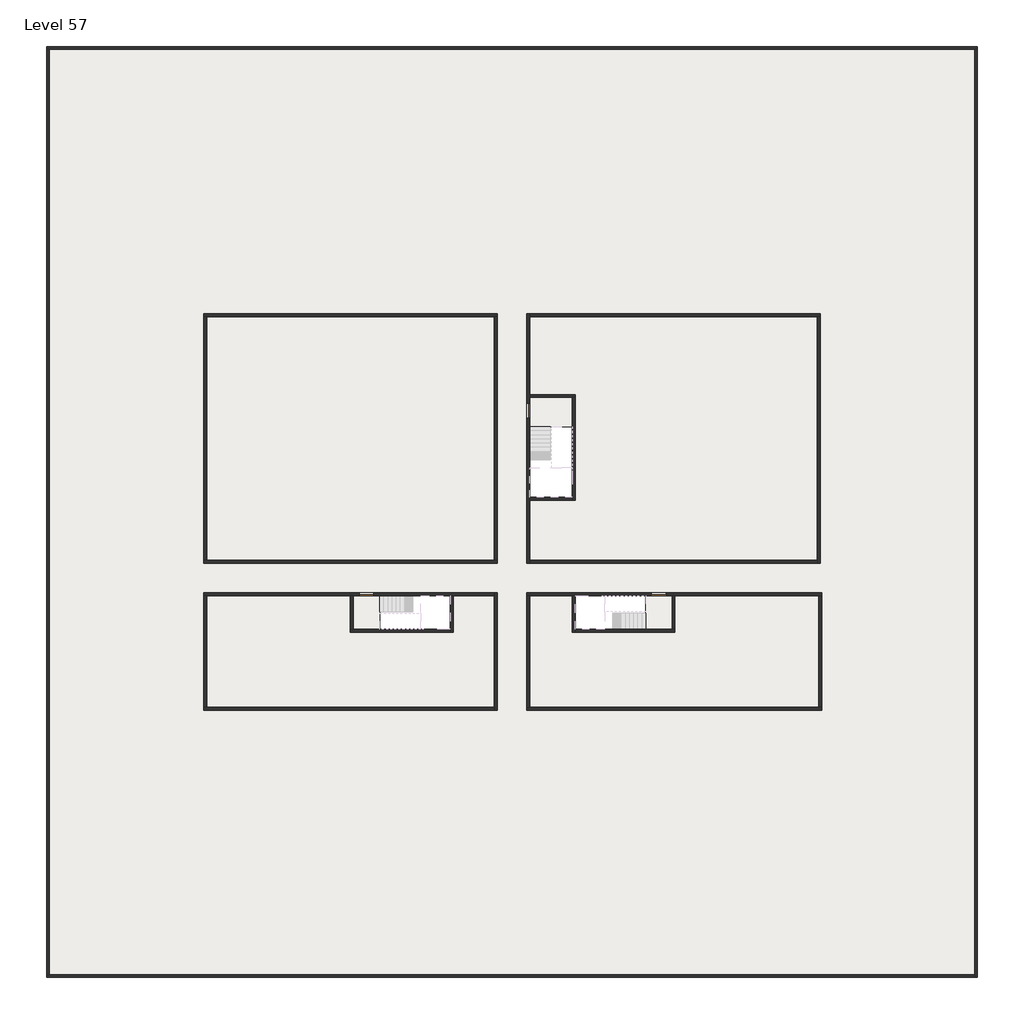
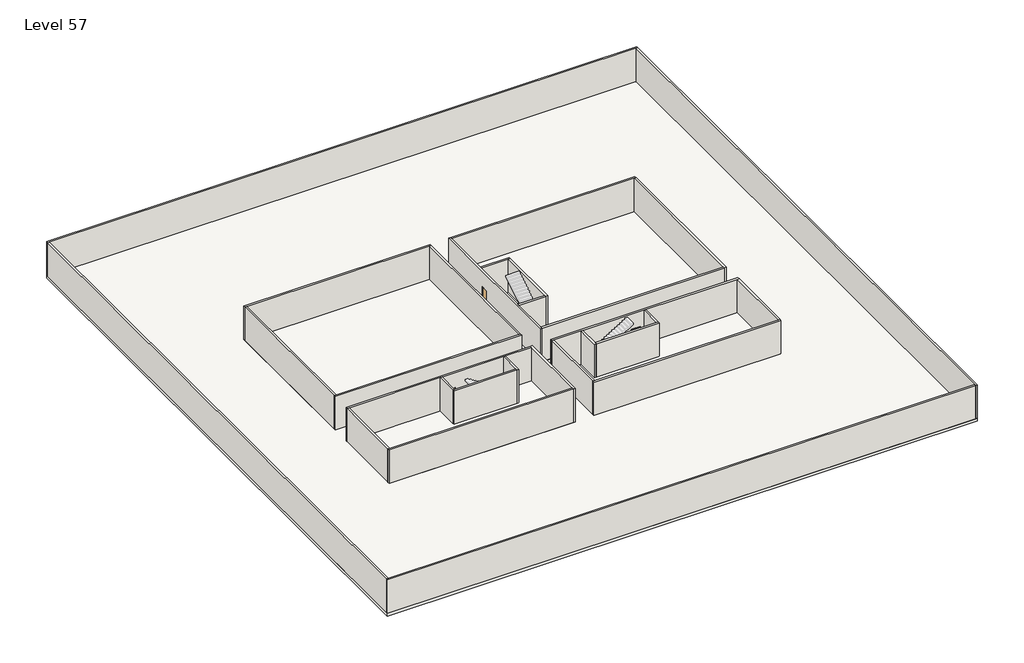
# One storey, part 1 of 2: 29 walls, 3 doors, 3 slabs.
"""IFC4 building model written with IfcOpenShell, lengths in millimetres."""

import ifcopenshell
import ifcopenshell.guid

model = None  # the IFC model being written
_history = None  # IfcOwnerHistory: only IFC2X3 demands one
_inside = {}  # id of a spatial element -> (the spatial element, [elements in it])
_under = {}  # id of a project, library or spatial element -> (it, [spatial elements below it])
_declared = {}  # id of a project -> (the project, [libraries it declares])
_typed = {}  # id of a type object -> (the type object, [elements of that type])
_made_of = {}  # id of a material, layer set ... -> (it, [elements and type objects made of it])


def new_model(schema):
    """Start an empty IFC model of exactly this schema.

    Asked for "IFC4X3", IfcOpenShell would pick the latest addendum, in which some entities
    have other attributes; the version numbers below select the first issue.
    IFC2X3 requires an IfcOwnerHistory on every rooted entity: one is made here for all.
    """
    global model, _history
    if schema == "IFC4X3":
        model = ifcopenshell.file(schema_version=(4, 3, 0, 0))
    else:
        model = ifcopenshell.file(schema=schema)
    _inside.clear()
    _under.clear()
    _declared.clear()
    _typed.clear()
    _made_of.clear()
    _history = None
    if model.schema == "IFC2X3":
        org = make("IfcOrganization", Name="unknown")
        user = make(
            "IfcPersonAndOrganization",
            ThePerson=make("IfcPerson", FamilyName="unknown"),
            TheOrganization=org,
        )
        app = make(
            "IfcApplication",
            ApplicationDeveloper=org,
            Version="unknown",
            ApplicationFullName="unknown",
            ApplicationIdentifier="unknown",
        )
        _history = make(
            "IfcOwnerHistory",
            OwningUser=user,
            OwningApplication=app,
            ChangeAction="ADDED",
            CreationDate=0,
        )
    return model


def make(cls, **values):
    """One entity of the class cls with the attributes given. An attribute that is None is left unset."""
    return model.create_entity(
        cls, **{name: value for name, value in values.items() if value is not None}
    )


def rooted(cls, **values):
    """An entity with a GlobalId (a new one), such as an element, a storey or a relation."""
    return make(cls, GlobalId=ifcopenshell.guid.new(), OwnerHistory=_history, **values)


def si_unit(unit_type, name, prefix=None):
    """IfcSIUnit, for example si_unit("LENGTHUNIT", "METRE", prefix="MILLI")."""
    return make("IfcSIUnit", UnitType=unit_type, Prefix=prefix, Name=name)


def assignment(units):
    """IfcUnitAssignment: the units of a project."""
    return None if units is None else make("IfcUnitAssignment", Units=units)


def point(xyz):
    """IfcCartesianPoint."""
    return None if xyz is None else make("IfcCartesianPoint", Coordinates=xyz)


def direction(xyz):
    """IfcDirection."""
    return None if xyz is None else make("IfcDirection", DirectionRatios=xyz)


def frame(location, z_axis=None, x_axis=None):
    """IfcAxis2Placement3D, a coordinate frame: its origin and axes. An axis left out is left unset."""
    return make(
        "IfcAxis2Placement3D",
        Location=point(location),
        Axis=direction(z_axis),
        RefDirection=direction(x_axis),
    )


def origin():
    """The frame at (0, 0, 0) with its axes left unset."""
    return frame((0.0, 0.0, 0.0))


def origin_with_axes():
    """The frame at (0, 0, 0) with the z axis (0, 0, 1) and the x axis (1, 0, 0) written out."""
    return frame((0.0, 0.0, 0.0), z_axis=(0.0, 0.0, 1.0), x_axis=(1.0, 0.0, 0.0))


def place(relative_to, where):
    """IfcLocalPlacement: puts the frame where relative to a parent placement (None: the world)."""
    return make(
        "IfcLocalPlacement", PlacementRelTo=relative_to, RelativePlacement=where
    )


def context(
    kind, dimensions, precision=None, world=None, true_north=None, identifier=None
):
    """IfcGeometricRepresentationContext, for example the 3D "Model" context."""
    return make(
        "IfcGeometricRepresentationContext",
        ContextIdentifier=identifier,
        ContextType=kind,
        CoordinateSpaceDimension=dimensions,
        Precision=precision,
        WorldCoordinateSystem=world,
        TrueNorth=true_north,
    )


def project(units=None, contexts=None):
    """IfcProject with its units and contexts."""
    return rooted(
        "IfcProject",
        Name="project",
        RepresentationContexts=contexts,
        UnitsInContext=assignment(units),
    )


def spatial(cls, under=None, at=None, **own):
    """A site, building, storey or space (cls), placed at a placement, below another one or the project."""
    s = rooted(cls, ObjectPlacement=at, **own)
    if under is not None:
        _under.setdefault(under.id(), (under, []))[1].append(s)
    return s


def polyline(points):
    """IfcPolyline through the points."""
    return make("IfcPolyline", Points=[point(p) for p in points])


def outline(outer, holes=None, kind="AREA"):
    """IfcArbitraryClosedProfileDef: a profile drawn as a closed curve; with holes, ...WithVoids."""
    if holes is None:
        return make("IfcArbitraryClosedProfileDef", ProfileType=kind, OuterCurve=outer)
    return make(
        "IfcArbitraryProfileDefWithVoids",
        ProfileType=kind,
        OuterCurve=outer,
        InnerCurves=holes,
    )


def extrude(swept, where, along, depth):
    """IfcExtrudedAreaSolid: the profile swept, set in the frame where, extruded along a direction by depth."""
    return make(
        "IfcExtrudedAreaSolid",
        SweptArea=swept,
        Position=where,
        ExtrudedDirection=direction(along),
        Depth=depth,
    )


def faces_of(points, faces, orient=None, outer=None):
    """IfcFace entities. A face is a list of loops; a loop is a list of indices into points, from 0.

    orient and outer hold one flag for each loop. By default every Orientation is true, the
    first loop of a face is its IfcFaceOuterBound and the others are IfcFaceBound.
    """
    made = []
    for i, loops in enumerate(faces):
        bounds = []
        for j, loop in enumerate(loops):
            is_outer = j == 0 if outer is None else outer[i][j]
            bounds.append(
                make(
                    "IfcFaceOuterBound" if is_outer else "IfcFaceBound",
                    Bound=make("IfcPolyLoop", Polygon=[points[k] for k in loop]),
                    Orientation=True if orient is None else orient[i][j],
                )
            )
        made.append(make("IfcFace", Bounds=bounds))
    return made


def faceted_brep(points, faces, orient=None, outer=None, voids=None):
    """IfcFacetedBrep: a solid bounded by flat faces; with voids (closed shells), ...WithVoids."""
    shared = [point(p) for p in points]
    hull = make("IfcClosedShell", CfsFaces=faces_of(shared, faces, orient, outer))
    if voids is None:
        return make("IfcFacetedBrep", Outer=hull)
    return make(
        "IfcFacetedBrepWithVoids",
        Outer=hull,
        Voids=[
            make(cls, CfsFaces=faces_of(shared, fs, o, b)) for cls, fs, o, b in voids
        ],
    )


def shape(context_of_items, identifier, shape_type, items):
    """IfcShapeRepresentation: the items that make up one representation, for example the "Body"."""
    return make(
        "IfcShapeRepresentation",
        ContextOfItems=context_of_items,
        RepresentationIdentifier=identifier,
        RepresentationType=shape_type,
        Items=items,
    )


def source(mapping_origin, context_of_items, identifier, shape_type, items):
    """IfcRepresentationMap: a shape defined once, which mapped items show again and again."""
    return make(
        "IfcRepresentationMap",
        MappingOrigin=mapping_origin,
        MappedRepresentation=shape(context_of_items, identifier, shape_type, items),
    )


def transform(
    local_origin,
    x_axis=None,
    y_axis=None,
    z_axis=None,
    scale=None,
    scale2=None,
    scale3=None,
    uniform=True,
):
    """IfcCartesianTransformationOperator3D, or its non-uniform kind. x_axis, y_axis, z_axis: its Axis1, 2, 3."""
    if uniform:
        return make(
            "IfcCartesianTransformationOperator3D",
            Axis1=direction(x_axis),
            Axis2=direction(y_axis),
            LocalOrigin=point(local_origin),
            Scale=scale,
            Axis3=direction(z_axis),
        )
    return make(
        "IfcCartesianTransformationOperator3DnonUniform",
        Axis1=direction(x_axis),
        Axis2=direction(y_axis),
        LocalOrigin=point(local_origin),
        Scale=scale,
        Axis3=direction(z_axis),
        Scale2=scale2,
        Scale3=scale3,
    )


def mapped(mapping_source, mapping_target):
    """IfcMappedItem: shows the shape of a source again, moved by a transform."""
    return make(
        "IfcMappedItem", MappingSource=mapping_source, MappingTarget=mapping_target
    )


def made_of(thing, what):
    """Note that an element or type object is made of a material, layer set ...; save() writes the relation."""
    if what is not None:
        _made_of.setdefault(what.id(), (what, []))[1].append(thing)
    return thing


def element(
    cls,
    number,
    at=None,
    inside=None,
    cuts=None,
    type_object=None,
    material=None,
    context=None,
    identifier="Body",
    shape_type=None,
    held_by="IfcProductDefinitionShape",
    body=None,
    shapes=None,
    **own,
):
    """One element of the class cls, such as IfcWall. Its Tag is "e" and its number.

    at: its placement. inside: the storey or other place that contains it. cuts: it is an
    opening in that element (IfcRelVoidsElement). A single representation is given by context,
    identifier, shape_type and body (its items); several are given by shapes. held_by: the class
    of the entity that holds the representations. save() writes the other relations.
    """
    e = rooted(cls, Tag="e%d" % number, ObjectPlacement=at, **own)
    if body is not None:
        shapes = [shape(context, identifier, shape_type, body)]
    if shapes is not None:
        e.Representation = make(held_by, Representations=shapes)
    if inside is not None:
        _inside.setdefault(inside.id(), (inside, []))[1].append(e)
    if cuts is not None:
        rooted(
            "IfcRelVoidsElement", RelatingBuildingElement=cuts, RelatedOpeningElement=e
        )
    if type_object is not None:
        _typed.setdefault(type_object.id(), (type_object, []))[1].append(e)
    return made_of(e, material)


def aggregate(whole, parts):
    """IfcRelAggregates: a whole, such as a stair, and the parts it consists of."""
    return rooted("IfcRelAggregates", RelatingObject=whole, RelatedObjects=parts)


def save(model, path):
    """Write the relations noted so far, then the file.

    IfcRelAggregates (storeys below a building ...), IfcRelContainedInSpatialStructure (elements
    in a storey), IfcRelDefinesByType, IfcRelAssociatesMaterial and IfcRelDeclares: one each for
    every whole, place, type object, material and project.
    """
    for whole, parts in _under.values():
        aggregate(whole, parts)
    for where, things in _inside.values():
        rooted(
            "IfcRelContainedInSpatialStructure",
            RelatedElements=things,
            RelatingStructure=where,
        )
    for kind, things in _typed.values():
        rooted("IfcRelDefinesByType", RelatedObjects=things, RelatingType=kind)
    for what, things in _made_of.values():
        rooted("IfcRelAssociatesMaterial", RelatedObjects=things, RelatingMaterial=what)
    for by, libraries in _declared.values():
        rooted("IfcRelDeclares", RelatingContext=by, RelatedDefinitions=libraries)
    model.write(path)


def door_fb3c37fd(model_context):
    return source(origin(), model_context, "Body", "SweptSolid", [
        extrude(outline(polyline([(500.0, 49.0), (-500.0, 49.0), (-500.0, 100.0), (500.0, 100.0), (500.0, 49.0)])), origin_with_axes(), (0.0, 0.0, 1.0), 2100.0),
    ])


def door_0317a72c(model_context):
    return source(origin(), model_context, "Body", "SweptSolid", [
        extrude(outline(polyline([(500.0, -49.0), (500.0, -100.0), (-500.0, -100.0), (-500.0, -49.0), (500.0, -49.0)])), origin_with_axes(), (0.0, 0.0, 1.0), 2100.0),
    ])


model = new_model("IFC4")

# Units and contexts
model_context = context("Model", 3, world=origin())
ifc_project = project(units=[si_unit("LENGTHUNIT", "METRE", prefix="MILLI")], contexts=[model_context])

# Site, building, storey
site = spatial("IfcSite", under=ifc_project)
building = spatial("IfcBuilding", under=site)
storey = spatial("IfcBuildingStorey", under=building, Name="Level 57", Elevation=212800.0)

# Doors
placement = place(None, origin())
door_shape = door_fb3c37fd(model_context)
element("IfcDoor", 1, at=placement, inside=storey, context=model_context, shape_type="MappedRepresentation", body=[
    mapped(door_shape, transform((14290.1058784, -42818.09644, 212800.0), x_axis=(-1.0, 0.0, 0.0), y_axis=(0.0, -1.0, 0.0), z_axis=(0.0, 0.0, 1.0))),
])
door_2_shape = door_0317a72c(model_context)
element("IfcDoor", 2, at=placement, inside=storey, context=model_context, shape_type="MappedRepresentation", body=[
    mapped(door_2_shape, transform((25290.1058784, -30318.09644, 212800.0), x_axis=(0.0, 1.0, 0.0), y_axis=(-1.0, 0.0, 0.0), z_axis=(0.0, 0.0, 1.0))),
])
element("IfcDoor", 3, at=placement, inside=storey, context=model_context, shape_type="MappedRepresentation", body=[
    mapped(door_2_shape, transform((34190.1058784, -42818.09644, 212800.0), x_axis=(1.0, 0.0, 0.0), y_axis=(0.0, 1.0, 0.0), z_axis=(0.0, 0.0, 1.0))),
])

# Slabs
element("IfcSlab", 4, at=placement, inside=storey, context=model_context, shape_type="SweptSolid", body=[
    extrude(outline(polyline([(55890.1058784, -5518.09644), (55890.1058784, -68918.09644), (-7509.8941216, -68918.09644), (-7509.8941216, -5518.09644), (55890.1058784, -5518.09644)]), holes=[polyline([(23190.1058784, -23718.09644), (3190.1058784, -23718.09644), (3190.1058784, -40718.09644), (23190.1058784, -40718.09644), (23190.1058784, -23718.09644)]), polyline([(45190.1058784, -23718.09644), (25190.1058784, -23718.09644), (25190.1058784, -40718.09644), (45190.1058784, -40718.09644), (45190.1058784, -23718.09644)]), polyline([(23190.1058784, -50718.09644), (23190.1058784, -42718.09644), (3390.1058784, -42718.09644), (3390.1058784, -50718.09644), (23190.1058784, -50718.09644)]), polyline([(25190.1058784, -50718.09644), (45190.1058784, -50718.09644), (45190.1058784, -42718.09644), (25190.1058784, -42718.09644), (25190.1058784, -50718.09644)])]), frame((0.0, 0.0, 212500.0), z_axis=(0.0, 0.0, 1.0), x_axis=(1.0, 0.0, 0.0)), (0.0, 0.0, 1.0), 300.0),
])
element("IfcSlab", 5, at=placement, inside=storey, context=model_context, shape_type="SweptSolid", body=[
    extrude(outline(polyline([(22990.1058784, -23918.09644), (22990.1058784, -40518.09644), (3390.1058784, -40518.09644), (3390.1058784, -23918.09644), (22990.1058784, -23918.09644)])), frame((0.0, 0.0, 212500.0), z_axis=(0.0, 0.0, 1.0), x_axis=(1.0, 0.0, 0.0)), (0.0, 0.0, 1.0), 300.0),
    extrude(outline(polyline([(44990.1058784, -23918.09644), (44990.1058784, -40518.09644), (25390.1058784, -40518.09644), (25390.1058784, -36418.09644), (28490.1058784, -36418.09644), (28490.1058784, -29218.09644), (25390.1058784, -29218.09644), (25390.1058784, -23918.09644), (44990.1058784, -23918.09644)])), frame((0.0, 0.0, 212500.0), z_axis=(0.0, 0.0, 1.0), x_axis=(1.0, 0.0, 0.0)), (0.0, 0.0, 1.0), 300.0),
    extrude(outline(polyline([(22990.1058784, -42918.09644), (22990.1058784, -50518.09644), (3390.1058784, -50518.09644), (3390.1058784, -42918.09644), (13190.1058784, -42918.09644), (13190.1058784, -45418.09644), (20190.1058784, -45418.09644), (20190.1058784, -42918.09644), (22990.1058784, -42918.09644)])), frame((0.0, 0.0, 212500.0), z_axis=(0.0, 0.0, 1.0), x_axis=(1.0, 0.0, 0.0)), (0.0, 0.0, 1.0), 300.0),
    extrude(outline(polyline([(28290.1058784, -42918.09644), (28290.1058784, -45418.09644), (35290.1058784, -45418.09644), (35290.1058784, -42918.09644), (45090.1058784, -42918.09644), (45090.1058784, -50518.09644), (25390.1058784, -50518.09644), (25390.1058784, -42918.09644), (28290.1058784, -42918.09644)])), frame((0.0, 0.0, 212500.0), z_axis=(0.0, 0.0, 1.0), x_axis=(1.0, 0.0, 0.0)), (0.0, 0.0, 1.0), 300.0),
])
element("IfcSlab", 6, at=placement, inside=storey, context=model_context, shape_type="SweptSolid", body=[
    extrude(outline(polyline([(25190.1058784, -29418.09644), (28290.1058784, -29418.09644), (28290.1058784, -31418.09644), (25190.1058784, -31418.09644), (25190.1058784, -29418.09644)])), frame((0.0, 0.0, 212500.0), z_axis=(0.0, 0.0, 1.0), x_axis=(1.0, 0.0, 0.0)), (0.0, 0.0, 1.0), 300.0),
    extrude(outline(polyline([(15190.1058784, -45218.09644), (13390.1058784, -45218.09644), (13390.1058784, -42718.09644), (15190.1058784, -42718.09644), (15190.1058784, -45218.09644)])), frame((0.0, 0.0, 212500.0), z_axis=(0.0, 0.0, 1.0), x_axis=(1.0, 0.0, 0.0)), (0.0, 0.0, 1.0), 300.0),
    extrude(outline(polyline([(35090.1058784, -45218.09644), (33290.1058784, -45218.09644), (33290.1058784, -42718.09644), (35090.1058784, -42718.09644), (35090.1058784, -45218.09644)])), frame((0.0, 0.0, 212500.0), z_axis=(0.0, 0.0, 1.0), x_axis=(1.0, 0.0, 0.0)), (0.0, 0.0, 1.0), 300.0),
])

# Walls
element("IfcWall", 7, at=placement, inside=storey, context=model_context, shape_type="Brep", body=[
    faceted_brep([(-7509.8941216, -5718.09644, 212800.0), (-7309.8941216, -5718.09644, 212800.0), (55690.1058784, -5718.09644, 212800.0), (55890.1058784, -5718.09644, 212800.0), (55890.1058784, -5718.09644, 216600.0), (55690.1058784, -5718.09644, 216600.0), (-7309.8941216, -5718.09644, 216600.0), (-7509.8941216, -5718.09644, 216600.0), (-7509.8941216, -5518.09644, 212800.0), (-7509.8941216, -5518.09644, 216600.0), (55890.1058784, -5518.09644, 216600.0), (55890.1058784, -5518.09644, 212800.0)], [[[0, 1, 2, 3, 4, 5, 6, 7]], [[8, 9, 10, 11]], [[3, 2, 1, 0, 8, 11]], [[7, 6, 5, 4, 10, 9]], [[4, 3, 11, 10]], [[0, 7, 9, 8]]]),
])
element("IfcWall", 8, at=placement, inside=storey, context=model_context, shape_type="Brep", body=[
    faceted_brep([(55690.1058784, -5718.09644, 212800.0), (55690.1058784, -68718.09644, 212800.0), (55690.1058784, -68918.09644, 212800.0), (55690.1058784, -68918.09644, 216600.0), (55690.1058784, -68718.09644, 216600.0), (55690.1058784, -5718.09644, 216600.0), (55890.1058784, -5718.09644, 212800.0), (55890.1058784, -5718.09644, 216600.0), (55890.1058784, -68918.09644, 216600.0), (55890.1058784, -68918.09644, 212800.0)], [[[0, 1, 2, 3, 4, 5]], [[6, 7, 8, 9]], [[2, 1, 0, 6, 9]], [[5, 4, 3, 8, 7]], [[0, 5, 7, 6]], [[3, 2, 9, 8]]]),
])
element("IfcWall", 9, at=placement, inside=storey, context=model_context, shape_type="Brep", body=[
    faceted_brep([(55690.1058784, -68718.09644, 212800.0), (-7309.8941216, -68718.09644, 212800.0), (-7509.8941216, -68718.09644, 212800.0), (-7509.8941216, -68718.09644, 216600.0), (-7309.8941216, -68718.09644, 216600.0), (55690.1058784, -68718.09644, 216600.0), (55690.1058784, -68918.09644, 212800.0), (55690.1058784, -68918.09644, 216600.0), (-7509.8941216, -68918.09644, 216600.0), (-7509.8941216, -68918.09644, 212800.0)], [[[0, 1, 2, 3, 4, 5]], [[6, 7, 8, 9]], [[2, 1, 0, 6, 9]], [[5, 4, 3, 8, 7]], [[0, 5, 7, 6]], [[3, 2, 9, 8]]]),
])
element("IfcWall", 10, at=placement, inside=storey, context=model_context, shape_type="SweptSolid", body=[
    extrude(outline(polyline([(-7309.8941216, -5718.09644), (-7309.8941216, -68718.09644), (-7509.8941216, -68718.09644), (-7509.8941216, -5718.09644), (-7309.8941216, -5718.09644)])), frame((0.0, 0.0, 212800.0), z_axis=(0.0, 0.0, 1.0), x_axis=(1.0, 0.0, 0.0)), (0.0, 0.0, 1.0), 3800.0),
])
element("IfcWall", 11, at=placement, inside=storey, context=model_context, shape_type="Brep", body=[
    faceted_brep([(3190.1058784, -23918.09644, 212800.0), (3390.1058784, -23918.09644, 212800.0), (22990.1058784, -23918.09644, 212800.0), (23190.1058784, -23918.09644, 212800.0), (23190.1058784, -23918.09644, 216600.0), (22990.1058784, -23918.09644, 216600.0), (3390.1058784, -23918.09644, 216600.0), (3190.1058784, -23918.09644, 216600.0), (3190.1058784, -23718.09644, 212800.0), (3190.1058784, -23718.09644, 216600.0), (23190.1058784, -23718.09644, 216600.0), (23190.1058784, -23718.09644, 212800.0)], [[[0, 1, 2, 3, 4, 5, 6, 7]], [[8, 9, 10, 11]], [[3, 2, 1, 0, 8, 11]], [[7, 6, 5, 4, 10, 9]], [[0, 7, 9, 8]], [[4, 3, 11, 10]]]),
])
element("IfcWall", 12, at=placement, inside=storey, context=model_context, shape_type="Brep", body=[
    faceted_brep([(44990.1058784, -23918.09644, 212800.0), (44990.1058784, -40518.09644, 212800.0), (44990.1058784, -40718.09644, 212800.0), (44990.1058784, -40718.09644, 216600.0), (44990.1058784, -40518.09644, 216600.0), (44990.1058784, -23918.09644, 216600.0), (45190.1058784, -23918.09644, 212800.0), (45190.1058784, -23918.09644, 216600.0), (45190.1058784, -40718.09644, 216600.0), (45190.1058784, -40718.09644, 212800.0)], [[[0, 1, 2, 3, 4, 5]], [[6, 7, 8, 9]], [[2, 1, 0, 6, 9]], [[5, 4, 3, 8, 7]], [[3, 2, 9, 8]], [[0, 5, 7, 6]]]),
])
element("IfcWall", 13, at=placement, inside=storey, context=model_context, shape_type="Brep", body=[
    faceted_brep([(45290.1058784, -50518.09644, 212800.0), (45090.1058784, -50518.09644, 212800.0), (25390.1058784, -50518.09644, 212800.0), (25190.1058784, -50518.09644, 212800.0), (25190.1058784, -50518.09644, 216600.0), (25390.1058784, -50518.09644, 216600.0), (45090.1058784, -50518.09644, 216600.0), (45290.1058784, -50518.09644, 216600.0), (45290.1058784, -50718.09644, 212800.0), (45290.1058784, -50718.09644, 216600.0), (25190.1058784, -50718.09644, 216600.0), (25190.1058784, -50718.09644, 212800.0)], [[[0, 1, 2, 3, 4, 5, 6, 7]], [[8, 9, 10, 11]], [[3, 2, 1, 0, 8, 11]], [[7, 6, 5, 4, 10, 9]], [[4, 3, 11, 10]], [[0, 7, 9, 8]]]),
])
element("IfcWall", 14, at=placement, inside=storey, context=model_context, shape_type="SweptSolid", body=[
    extrude(outline(polyline([(22990.1058784, -40518.09644), (22990.1058784, -23918.09644), (23190.1058784, -23918.09644), (23190.1058784, -40518.09644), (22990.1058784, -40518.09644)])), frame((0.0, 0.0, 212800.0), z_axis=(0.0, 0.0, 1.0), x_axis=(1.0, 0.0, 0.0)), (0.0, 0.0, 1.0), 3800.0),
])
element("IfcWall", 15, at=placement, inside=storey, context=model_context, shape_type="Brep", body=[
    faceted_brep([(23190.1058784, -40518.09644, 212800.0), (22990.1058784, -40518.09644, 212800.0), (3390.1058784, -40518.09644, 212800.0), (3190.1058784, -40518.09644, 212800.0), (3190.1058784, -40518.09644, 216600.0), (3390.1058784, -40518.09644, 216600.0), (22990.1058784, -40518.09644, 216600.0), (23190.1058784, -40518.09644, 216600.0), (23190.1058784, -40718.09644, 212800.0), (23190.1058784, -40718.09644, 216600.0), (3190.1058784, -40718.09644, 216600.0), (3190.1058784, -40718.09644, 212800.0)], [[[0, 1, 2, 3, 4, 5, 6, 7]], [[8, 9, 10, 11]], [[3, 2, 1, 0, 8, 11]], [[7, 6, 5, 4, 10, 9]], [[4, 3, 11, 10]], [[0, 7, 9, 8]]]),
])
element("IfcWall", 16, at=placement, inside=storey, context=model_context, shape_type="Brep", body=[
    faceted_brep([(3190.1058784, -42918.09644, 212800.0), (3390.1058784, -42918.09644, 212800.0), (13190.1058784, -42918.09644, 212800.0), (13390.1058784, -42918.09644, 212800.0), (13790.1058784, -42918.09644, 212800.0), (13790.1058784, -42918.09644, 214900.0), (14790.1058784, -42918.09644, 214900.0), (14790.1058784, -42918.09644, 212800.0), (19990.1058784, -42918.09644, 212800.0), (20190.1058784, -42918.09644, 212800.0), (22990.1058784, -42918.09644, 212800.0), (22990.1058784, -42918.09644, 216600.0), (20190.1058784, -42918.09644, 216600.0), (19990.1058784, -42918.09644, 216600.0), (13390.1058784, -42918.09644, 216600.0), (13190.1058784, -42918.09644, 216600.0), (3390.1058784, -42918.09644, 216600.0), (3190.1058784, -42918.09644, 216600.0), (13790.1058784, -42718.09644, 214900.0), (13790.1058784, -42718.09644, 212800.0), (3190.1058784, -42718.09644, 212800.0), (3190.1058784, -42718.09644, 216600.0), (22990.1058784, -42718.09644, 216600.0), (22990.1058784, -42718.09644, 212800.0), (14790.1058784, -42718.09644, 212800.0), (14790.1058784, -42718.09644, 214900.0)], [[[0, 1, 2, 3, 4, 5, 6, 7, 8, 9, 10, 11, 12, 13, 14, 15, 16, 17]], [[18, 19, 20, 21, 22, 23, 24, 25]], [[24, 23, 10, 9, 8, 7]], [[20, 19, 4, 3, 2, 1, 0]], [[17, 16, 15, 14, 13, 12, 11, 22, 21]], [[5, 4, 19, 18]], [[6, 5, 18, 25]], [[7, 6, 25, 24]], [[0, 17, 21, 20]], [[11, 10, 23, 22]]]),
])
element("IfcWall", 17, at=placement, inside=storey, context=model_context, shape_type="SweptSolid", body=[
    extrude(outline(polyline([(25390.1058784, -40518.09644), (44990.1058784, -40518.09644), (44990.1058784, -40718.09644), (25390.1058784, -40718.09644), (25390.1058784, -40518.09644)])), frame((0.0, 0.0, 212800.0), z_axis=(0.0, 0.0, 1.0), x_axis=(1.0, 0.0, 0.0)), (0.0, 0.0, 1.0), 3800.0),
])
element("IfcWall", 18, at=placement, inside=storey, context=model_context, shape_type="Brep", body=[
    faceted_brep([(25390.1058784, -29818.09644, 214900.0), (25390.1058784, -29818.09644, 212800.0), (25390.1058784, -29418.09644, 212800.0), (25390.1058784, -29218.09644, 212800.0), (25390.1058784, -23918.09644, 212800.0), (25390.1058784, -23718.09644, 212800.0), (25390.1058784, -23718.09644, 216600.0), (25390.1058784, -23918.09644, 216600.0), (25390.1058784, -29218.09644, 216600.0), (25390.1058784, -29418.09644, 216600.0), (25390.1058784, -36218.09644, 216600.0), (25390.1058784, -36418.09644, 216600.0), (25390.1058784, -40518.09644, 216600.0), (25390.1058784, -40718.09644, 216600.0), (25390.1058784, -40718.09644, 212800.0), (25390.1058784, -40518.09644, 212800.0), (25390.1058784, -36418.09644, 212800.0), (25390.1058784, -36218.09644, 212800.0), (25390.1058784, -30818.09644, 212800.0), (25390.1058784, -30818.09644, 214900.0), (25190.1058784, -23718.09644, 212800.0), (25190.1058784, -29818.09644, 212800.0), (25190.1058784, -29818.09644, 214900.0), (25190.1058784, -30818.09644, 214900.0), (25190.1058784, -30818.09644, 212800.0), (25190.1058784, -40718.09644, 212800.0), (25190.1058784, -40718.09644, 216600.0), (25190.1058784, -23718.09644, 216600.0)], [[[0, 1, 2, 3, 4, 5, 6, 7, 8, 9, 10, 11, 12, 13, 14, 15, 16, 17, 18, 19]], [[20, 21, 22, 23, 24, 25, 26, 27]], [[5, 4, 3, 2, 1, 21, 20]], [[18, 17, 16, 15, 14, 25, 24]], [[13, 12, 11, 10, 9, 8, 7, 6, 27, 26]], [[22, 21, 1, 0]], [[23, 22, 0, 19]], [[24, 23, 19, 18]], [[14, 13, 26, 25]], [[6, 5, 20, 27]]]),
])
element("IfcWall", 19, at=placement, inside=storey, context=model_context, shape_type="SweptSolid", body=[
    extrude(outline(polyline([(3390.1058784, -23918.09644), (3390.1058784, -40518.09644), (3190.1058784, -40518.09644), (3190.1058784, -23918.09644), (3390.1058784, -23918.09644)])), frame((0.0, 0.0, 212800.0), z_axis=(0.0, 0.0, 1.0), x_axis=(1.0, 0.0, 0.0)), (0.0, 0.0, 1.0), 3800.0),
])
element("IfcWall", 20, at=placement, inside=storey, context=model_context, shape_type="Brep", body=[
    faceted_brep([(25390.1058784, -23918.09644, 212800.0), (44990.1058784, -23918.09644, 212800.0), (45190.1058784, -23918.09644, 212800.0), (45190.1058784, -23918.09644, 216600.0), (44990.1058784, -23918.09644, 216600.0), (25390.1058784, -23918.09644, 216600.0), (25390.1058784, -23718.09644, 212800.0), (25390.1058784, -23718.09644, 216600.0), (45190.1058784, -23718.09644, 216600.0), (45190.1058784, -23718.09644, 212800.0)], [[[0, 1, 2, 3, 4, 5]], [[6, 7, 8, 9]], [[2, 1, 0, 6, 9]], [[5, 4, 3, 8, 7]], [[3, 2, 9, 8]], [[0, 5, 7, 6]]]),
])
element("IfcWall", 21, at=placement, inside=storey, context=model_context, shape_type="Brep", body=[
    faceted_brep([(25390.1058784, -29418.09644, 212800.0), (28290.1058784, -29418.09644, 212800.0), (28490.1058784, -29418.09644, 212800.0), (28490.1058784, -29418.09644, 216600.0), (28290.1058784, -29418.09644, 216600.0), (25390.1058784, -29418.09644, 216600.0), (25390.1058784, -29218.09644, 212800.0), (25390.1058784, -29218.09644, 216600.0), (28490.1058784, -29218.09644, 216600.0), (28490.1058784, -29218.09644, 212800.0)], [[[0, 1, 2, 3, 4, 5]], [[6, 7, 8, 9]], [[2, 1, 0, 6, 9]], [[5, 4, 3, 8, 7]], [[3, 2, 9, 8]], [[0, 5, 7, 6]]]),
])
element("IfcWall", 22, at=placement, inside=storey, context=model_context, shape_type="Brep", body=[
    faceted_brep([(28290.1058784, -29418.09644, 212800.0), (28290.1058784, -36218.09644, 212800.0), (28290.1058784, -36418.09644, 212800.0), (28290.1058784, -36418.09644, 216600.0), (28290.1058784, -36218.09644, 216600.0), (28290.1058784, -29418.09644, 216600.0), (28490.1058784, -29418.09644, 212800.0), (28490.1058784, -29418.09644, 216600.0), (28490.1058784, -36418.09644, 216600.0), (28490.1058784, -36418.09644, 212800.0)], [[[0, 1, 2, 3, 4, 5]], [[6, 7, 8, 9]], [[2, 1, 0, 6, 9]], [[5, 4, 3, 8, 7]], [[3, 2, 9, 8]], [[0, 5, 7, 6]]]),
])
element("IfcWall", 23, at=placement, inside=storey, context=model_context, shape_type="SweptSolid", body=[
    extrude(outline(polyline([(25390.1058784, -36218.09644), (28290.1058784, -36218.09644), (28290.1058784, -36418.09644), (25390.1058784, -36418.09644), (25390.1058784, -36218.09644)])), frame((0.0, 0.0, 212800.0), z_axis=(0.0, 0.0, 1.0), x_axis=(1.0, 0.0, 0.0)), (0.0, 0.0, 1.0), 3800.0),
])
element("IfcWall", 24, at=placement, inside=storey, context=model_context, shape_type="SweptSolid", body=[
    extrude(outline(polyline([(25190.1058784, -50518.09644), (25190.1058784, -42918.09644), (25390.1058784, -42918.09644), (25390.1058784, -50518.09644), (25190.1058784, -50518.09644)])), frame((0.0, 0.0, 212800.0), z_axis=(0.0, 0.0, 1.0), x_axis=(1.0, 0.0, 0.0)), (0.0, 0.0, 1.0), 3800.0),
])
element("IfcWall", 25, at=placement, inside=storey, context=model_context, shape_type="Brep", body=[
    faceted_brep([(22990.1058784, -42718.09644, 212800.0), (22990.1058784, -42918.09644, 212800.0), (22990.1058784, -50518.09644, 212800.0), (22990.1058784, -50718.09644, 212800.0), (22990.1058784, -50718.09644, 216600.0), (22990.1058784, -50518.09644, 216600.0), (22990.1058784, -42918.09644, 216600.0), (22990.1058784, -42718.09644, 216600.0), (23190.1058784, -42718.09644, 212800.0), (23190.1058784, -42718.09644, 216600.0), (23190.1058784, -50718.09644, 216600.0), (23190.1058784, -50718.09644, 212800.0)], [[[0, 1, 2, 3, 4, 5, 6, 7]], [[8, 9, 10, 11]], [[3, 2, 1, 0, 8, 11]], [[7, 6, 5, 4, 10, 9]], [[4, 3, 11, 10]], [[0, 7, 9, 8]]]),
])
element("IfcWall", 26, at=placement, inside=storey, context=model_context, shape_type="Brep", body=[
    faceted_brep([(34690.1058784, -42918.09644, 214900.0), (34690.1058784, -42918.09644, 212800.0), (35090.1058784, -42918.09644, 212800.0), (35290.1058784, -42918.09644, 212800.0), (45090.1058784, -42918.09644, 212800.0), (45290.1058784, -42918.09644, 212800.0), (45290.1058784, -42918.09644, 216600.0), (45090.1058784, -42918.09644, 216600.0), (35290.1058784, -42918.09644, 216600.0), (35090.1058784, -42918.09644, 216600.0), (28490.1058784, -42918.09644, 216600.0), (28290.1058784, -42918.09644, 216600.0), (25390.1058784, -42918.09644, 216600.0), (25190.1058784, -42918.09644, 216600.0), (25190.1058784, -42918.09644, 212800.0), (25390.1058784, -42918.09644, 212800.0), (28290.1058784, -42918.09644, 212800.0), (28490.1058784, -42918.09644, 212800.0), (33690.1058784, -42918.09644, 212800.0), (33690.1058784, -42918.09644, 214900.0), (45290.1058784, -42718.09644, 212800.0), (34690.1058784, -42718.09644, 212800.0), (34690.1058784, -42718.09644, 214900.0), (33690.1058784, -42718.09644, 214900.0), (33690.1058784, -42718.09644, 212800.0), (25190.1058784, -42718.09644, 212800.0), (25190.1058784, -42718.09644, 216600.0), (45290.1058784, -42718.09644, 216600.0)], [[[0, 1, 2, 3, 4, 5, 6, 7, 8, 9, 10, 11, 12, 13, 14, 15, 16, 17, 18, 19]], [[20, 21, 22, 23, 24, 25, 26, 27]], [[5, 4, 3, 2, 1, 21, 20]], [[18, 17, 16, 15, 14, 25, 24]], [[13, 12, 11, 10, 9, 8, 7, 6, 27, 26]], [[22, 21, 1, 0]], [[23, 22, 0, 19]], [[24, 23, 19, 18]], [[14, 13, 26, 25]], [[6, 5, 20, 27]]]),
])
element("IfcWall", 27, at=placement, inside=storey, context=model_context, shape_type="Brep", body=[
    faceted_brep([(22990.1058784, -50518.09644, 212800.0), (3390.1058784, -50518.09644, 212800.0), (3190.1058784, -50518.09644, 212800.0), (3190.1058784, -50518.09644, 216600.0), (3390.1058784, -50518.09644, 216600.0), (22990.1058784, -50518.09644, 216600.0), (22990.1058784, -50718.09644, 212800.0), (22990.1058784, -50718.09644, 216600.0), (3190.1058784, -50718.09644, 216600.0), (3190.1058784, -50718.09644, 212800.0)], [[[0, 1, 2, 3, 4, 5]], [[6, 7, 8, 9]], [[2, 1, 0, 6, 9]], [[5, 4, 3, 8, 7]], [[3, 2, 9, 8]], [[0, 5, 7, 6]]]),
])
element("IfcWall", 28, at=placement, inside=storey, context=model_context, shape_type="Brep", body=[
    faceted_brep([(28290.1058784, -42918.09644, 212800.0), (28290.1058784, -45418.09644, 212800.0), (28290.1058784, -45418.09644, 216600.0), (28290.1058784, -42918.09644, 216600.0), (28490.1058784, -42918.09644, 212800.0), (28490.1058784, -42918.09644, 216600.0), (28490.1058784, -45218.09644, 216600.0), (28490.1058784, -45418.09644, 216600.0), (28490.1058784, -45418.09644, 212800.0), (28490.1058784, -45218.09644, 212800.0)], [[[0, 1, 2, 3]], [[4, 5, 6, 7, 8, 9]], [[1, 0, 4, 9, 8]], [[3, 2, 7, 6, 5]], [[2, 1, 8, 7]], [[0, 3, 5, 4]]]),
])
element("IfcWall", 29, at=placement, inside=storey, context=model_context, shape_type="Brep", body=[
    faceted_brep([(28490.1058784, -45418.09644, 212800.0), (35290.1058784, -45418.09644, 212800.0), (35290.1058784, -45418.09644, 216600.0), (28490.1058784, -45418.09644, 216600.0), (28490.1058784, -45218.09644, 212800.0), (28490.1058784, -45218.09644, 216600.0), (35090.1058784, -45218.09644, 216600.0), (35290.1058784, -45218.09644, 216600.0), (35290.1058784, -45218.09644, 212800.0), (35090.1058784, -45218.09644, 212800.0)], [[[0, 1, 2, 3]], [[4, 5, 6, 7, 8, 9]], [[1, 0, 4, 9, 8]], [[3, 2, 7, 6, 5]], [[2, 1, 8, 7]], [[0, 3, 5, 4]]]),
])
element("IfcWall", 30, at=placement, inside=storey, context=model_context, shape_type="SweptSolid", body=[
    extrude(outline(polyline([(35290.1058784, -42918.09644), (35290.1058784, -45218.09644), (35090.1058784, -45218.09644), (35090.1058784, -42918.09644), (35290.1058784, -42918.09644)])), frame((0.0, 0.0, 212800.0), z_axis=(0.0, 0.0, 1.0), x_axis=(1.0, 0.0, 0.0)), (0.0, 0.0, 1.0), 3800.0),
])
element("IfcWall", 31, at=placement, inside=storey, context=model_context, shape_type="Brep", body=[
    faceted_brep([(19990.1058784, -42918.09644, 212800.0), (19990.1058784, -45218.09644, 212800.0), (19990.1058784, -45418.09644, 212800.0), (19990.1058784, -45418.09644, 216600.0), (19990.1058784, -45218.09644, 216600.0), (19990.1058784, -42918.09644, 216600.0), (20190.1058784, -42918.09644, 212800.0), (20190.1058784, -42918.09644, 216600.0), (20190.1058784, -45418.09644, 216600.0), (20190.1058784, -45418.09644, 212800.0)], [[[0, 1, 2, 3, 4, 5]], [[6, 7, 8, 9]], [[2, 1, 0, 6, 9]], [[5, 4, 3, 8, 7]], [[3, 2, 9, 8]], [[0, 5, 7, 6]]]),
])
element("IfcWall", 32, at=placement, inside=storey, context=model_context, shape_type="Brep", body=[
    faceted_brep([(19990.1058784, -45218.09644, 212800.0), (13390.1058784, -45218.09644, 212800.0), (13190.1058784, -45218.09644, 212800.0), (13190.1058784, -45218.09644, 216600.0), (13390.1058784, -45218.09644, 216600.0), (19990.1058784, -45218.09644, 216600.0), (19990.1058784, -45418.09644, 212800.0), (19990.1058784, -45418.09644, 216600.0), (13190.1058784, -45418.09644, 216600.0), (13190.1058784, -45418.09644, 212800.0)], [[[0, 1, 2, 3, 4, 5]], [[6, 7, 8, 9]], [[2, 1, 0, 6, 9]], [[5, 4, 3, 8, 7]], [[0, 5, 7, 6]], [[3, 2, 9, 8]]]),
])
element("IfcWall", 33, at=placement, inside=storey, context=model_context, shape_type="SweptSolid", body=[
    extrude(outline(polyline([(13390.1058784, -42918.09644), (13390.1058784, -45218.09644), (13190.1058784, -45218.09644), (13190.1058784, -42918.09644), (13390.1058784, -42918.09644)])), frame((0.0, 0.0, 212800.0), z_axis=(0.0, 0.0, 1.0), x_axis=(1.0, 0.0, 0.0)), (0.0, 0.0, 1.0), 3800.0),
])
element("IfcWall", 34, at=placement, inside=storey, context=model_context, shape_type="SweptSolid", body=[
    extrude(outline(polyline([(45290.1058784, -42918.09644), (45290.1058784, -50518.09644), (45090.1058784, -50518.09644), (45090.1058784, -42918.09644), (45290.1058784, -42918.09644)])), frame((0.0, 0.0, 212800.0), z_axis=(0.0, 0.0, 1.0), x_axis=(1.0, 0.0, 0.0)), (0.0, 0.0, 1.0), 3800.0),
])
element("IfcWall", 35, at=placement, inside=storey, context=model_context, shape_type="SweptSolid", body=[
    extrude(outline(polyline([(3390.1058784, -42918.09644), (3390.1058784, -50518.09644), (3190.1058784, -50518.09644), (3190.1058784, -42918.09644), (3390.1058784, -42918.09644)])), frame((0.0, 0.0, 212800.0), z_axis=(0.0, 0.0, 1.0), x_axis=(1.0, 0.0, 0.0)), (0.0, 0.0, 1.0), 3800.0),
])

save(model, "model.ifc")
